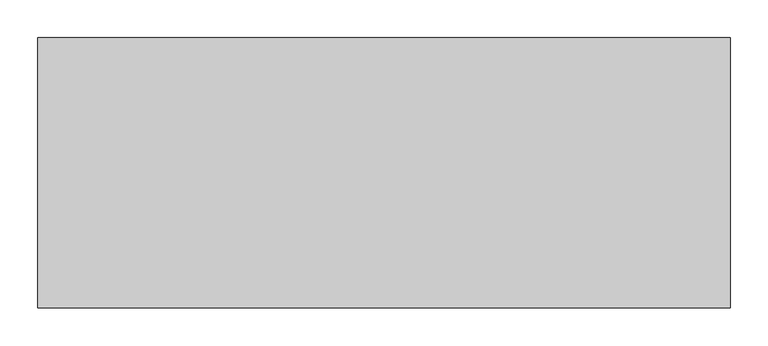
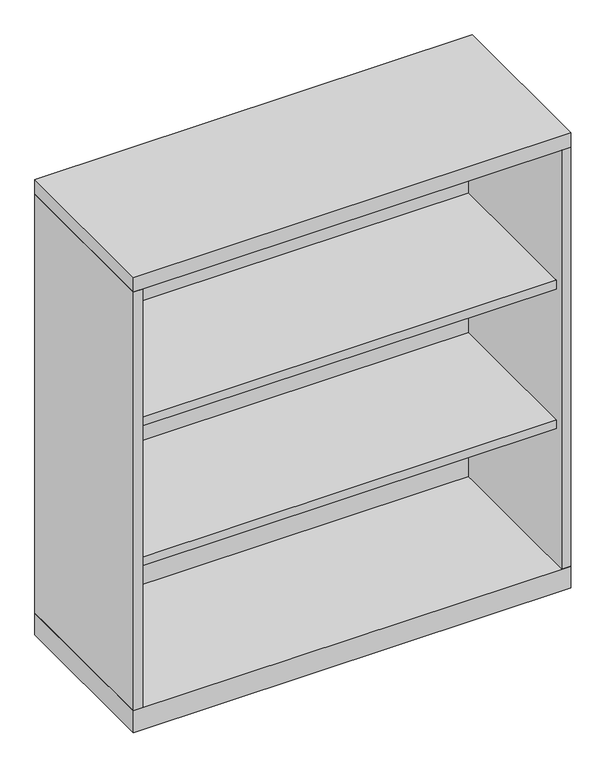
"""IFC4 building model written with IfcOpenShell, lengths in millimetres: furniture geometry."""

import ifcopenshell
import ifcopenshell.guid

model = None  # the IFC model being written
_history = None  # IfcOwnerHistory: only IFC2X3 demands one
_inside = {}  # id of a spatial element -> (the spatial element, [elements in it])
_under = {}  # id of a project, library or spatial element -> (it, [spatial elements below it])
_declared = {}  # id of a project -> (the project, [libraries it declares])
_typed = {}  # id of a type object -> (the type object, [elements of that type])
_made_of = {}  # id of a material, layer set ... -> (it, [elements and type objects made of it])


def new_model(schema):
    """Start an empty IFC model of exactly this schema.

    Asked for "IFC4X3", IfcOpenShell would pick the latest addendum, in which some entities
    have other attributes; the version numbers below select the first issue.
    IFC2X3 requires an IfcOwnerHistory on every rooted entity: one is made here for all.
    """
    global model, _history
    if schema == "IFC4X3":
        model = ifcopenshell.file(schema_version=(4, 3, 0, 0))
    else:
        model = ifcopenshell.file(schema=schema)
    _inside.clear()
    _under.clear()
    _declared.clear()
    _typed.clear()
    _made_of.clear()
    _history = None
    if model.schema == "IFC2X3":
        org = make("IfcOrganization", Name="unknown")
        user = make(
            "IfcPersonAndOrganization",
            ThePerson=make("IfcPerson", FamilyName="unknown"),
            TheOrganization=org,
        )
        app = make(
            "IfcApplication",
            ApplicationDeveloper=org,
            Version="unknown",
            ApplicationFullName="unknown",
            ApplicationIdentifier="unknown",
        )
        _history = make(
            "IfcOwnerHistory",
            OwningUser=user,
            OwningApplication=app,
            ChangeAction="ADDED",
            CreationDate=0,
        )
    return model


def make(cls, **values):
    """One entity of the class cls with the attributes given. An attribute that is None is left unset."""
    return model.create_entity(
        cls, **{name: value for name, value in values.items() if value is not None}
    )


def rooted(cls, **values):
    """An entity with a GlobalId (a new one), such as an element, a storey or a relation."""
    return make(cls, GlobalId=ifcopenshell.guid.new(), OwnerHistory=_history, **values)


def si_unit(unit_type, name, prefix=None):
    """IfcSIUnit, for example si_unit("LENGTHUNIT", "METRE", prefix="MILLI")."""
    return make("IfcSIUnit", UnitType=unit_type, Prefix=prefix, Name=name)


def assignment(units):
    """IfcUnitAssignment: the units of a project."""
    return None if units is None else make("IfcUnitAssignment", Units=units)


def point(xyz):
    """IfcCartesianPoint."""
    return None if xyz is None else make("IfcCartesianPoint", Coordinates=xyz)


def direction(xyz):
    """IfcDirection."""
    return None if xyz is None else make("IfcDirection", DirectionRatios=xyz)


def frame(location, z_axis=None, x_axis=None):
    """IfcAxis2Placement3D, a coordinate frame: its origin and axes. An axis left out is left unset."""
    return make(
        "IfcAxis2Placement3D",
        Location=point(location),
        Axis=direction(z_axis),
        RefDirection=direction(x_axis),
    )


def origin():
    """The frame at (0, 0, 0) with its axes left unset."""
    return frame((0.0, 0.0, 0.0))


def origin_with_axes():
    """The frame at (0, 0, 0) with the z axis (0, 0, 1) and the x axis (1, 0, 0) written out."""
    return frame((0.0, 0.0, 0.0), z_axis=(0.0, 0.0, 1.0), x_axis=(1.0, 0.0, 0.0))


def place(relative_to, where):
    """IfcLocalPlacement: puts the frame where relative to a parent placement (None: the world)."""
    return make(
        "IfcLocalPlacement", PlacementRelTo=relative_to, RelativePlacement=where
    )


def context(
    kind, dimensions, precision=None, world=None, true_north=None, identifier=None
):
    """IfcGeometricRepresentationContext, for example the 3D "Model" context."""
    return make(
        "IfcGeometricRepresentationContext",
        ContextIdentifier=identifier,
        ContextType=kind,
        CoordinateSpaceDimension=dimensions,
        Precision=precision,
        WorldCoordinateSystem=world,
        TrueNorth=true_north,
    )


def project(units=None, contexts=None):
    """IfcProject with its units and contexts."""
    return rooted(
        "IfcProject",
        Name="project",
        RepresentationContexts=contexts,
        UnitsInContext=assignment(units),
    )


def spatial(cls, under=None, at=None, **own):
    """A site, building, storey or space (cls), placed at a placement, below another one or the project."""
    s = rooted(cls, ObjectPlacement=at, **own)
    if under is not None:
        _under.setdefault(under.id(), (under, []))[1].append(s)
    return s


def polyline(points):
    """IfcPolyline through the points."""
    return make("IfcPolyline", Points=[point(p) for p in points])


def outline(outer, holes=None, kind="AREA"):
    """IfcArbitraryClosedProfileDef: a profile drawn as a closed curve; with holes, ...WithVoids."""
    if holes is None:
        return make("IfcArbitraryClosedProfileDef", ProfileType=kind, OuterCurve=outer)
    return make(
        "IfcArbitraryProfileDefWithVoids",
        ProfileType=kind,
        OuterCurve=outer,
        InnerCurves=holes,
    )


def extrude(swept, where, along, depth):
    """IfcExtrudedAreaSolid: the profile swept, set in the frame where, extruded along a direction by depth."""
    return make(
        "IfcExtrudedAreaSolid",
        SweptArea=swept,
        Position=where,
        ExtrudedDirection=direction(along),
        Depth=depth,
    )


def shape(context_of_items, identifier, shape_type, items):
    """IfcShapeRepresentation: the items that make up one representation, for example the "Body"."""
    return make(
        "IfcShapeRepresentation",
        ContextOfItems=context_of_items,
        RepresentationIdentifier=identifier,
        RepresentationType=shape_type,
        Items=items,
    )


def source(mapping_origin, context_of_items, identifier, shape_type, items):
    """IfcRepresentationMap: a shape defined once, which mapped items show again and again."""
    return make(
        "IfcRepresentationMap",
        MappingOrigin=mapping_origin,
        MappedRepresentation=shape(context_of_items, identifier, shape_type, items),
    )


def transform(
    local_origin,
    x_axis=None,
    y_axis=None,
    z_axis=None,
    scale=None,
    scale2=None,
    scale3=None,
    uniform=True,
):
    """IfcCartesianTransformationOperator3D, or its non-uniform kind. x_axis, y_axis, z_axis: its Axis1, 2, 3."""
    if uniform:
        return make(
            "IfcCartesianTransformationOperator3D",
            Axis1=direction(x_axis),
            Axis2=direction(y_axis),
            LocalOrigin=point(local_origin),
            Scale=scale,
            Axis3=direction(z_axis),
        )
    return make(
        "IfcCartesianTransformationOperator3DnonUniform",
        Axis1=direction(x_axis),
        Axis2=direction(y_axis),
        LocalOrigin=point(local_origin),
        Scale=scale,
        Axis3=direction(z_axis),
        Scale2=scale2,
        Scale3=scale3,
    )


def mapped(mapping_source, mapping_target):
    """IfcMappedItem: shows the shape of a source again, moved by a transform."""
    return make(
        "IfcMappedItem", MappingSource=mapping_source, MappingTarget=mapping_target
    )


def made_of(thing, what):
    """Note that an element or type object is made of a material, layer set ...; save() writes the relation."""
    if what is not None:
        _made_of.setdefault(what.id(), (what, []))[1].append(thing)
    return thing


def element(
    cls,
    number,
    at=None,
    inside=None,
    cuts=None,
    type_object=None,
    material=None,
    context=None,
    identifier="Body",
    shape_type=None,
    held_by="IfcProductDefinitionShape",
    body=None,
    shapes=None,
    **own,
):
    """One element of the class cls, such as IfcWall. Its Tag is "e" and its number.

    at: its placement. inside: the storey or other place that contains it. cuts: it is an
    opening in that element (IfcRelVoidsElement). A single representation is given by context,
    identifier, shape_type and body (its items); several are given by shapes. held_by: the class
    of the entity that holds the representations. save() writes the other relations.
    """
    e = rooted(cls, Tag="e%d" % number, ObjectPlacement=at, **own)
    if body is not None:
        shapes = [shape(context, identifier, shape_type, body)]
    if shapes is not None:
        e.Representation = make(held_by, Representations=shapes)
    if inside is not None:
        _inside.setdefault(inside.id(), (inside, []))[1].append(e)
    if cuts is not None:
        rooted(
            "IfcRelVoidsElement", RelatingBuildingElement=cuts, RelatedOpeningElement=e
        )
    if type_object is not None:
        _typed.setdefault(type_object.id(), (type_object, []))[1].append(e)
    return made_of(e, material)


def aggregate(whole, parts):
    """IfcRelAggregates: a whole, such as a stair, and the parts it consists of."""
    return rooted("IfcRelAggregates", RelatingObject=whole, RelatedObjects=parts)


def save(model, path):
    """Write the relations noted so far, then the file.

    IfcRelAggregates (storeys below a building ...), IfcRelContainedInSpatialStructure (elements
    in a storey), IfcRelDefinesByType, IfcRelAssociatesMaterial and IfcRelDeclares: one each for
    every whole, place, type object, material and project.
    """
    for whole, parts in _under.values():
        aggregate(whole, parts)
    for where, things in _inside.values():
        rooted(
            "IfcRelContainedInSpatialStructure",
            RelatedElements=things,
            RelatingStructure=where,
        )
    for kind, things in _typed.values():
        rooted("IfcRelDefinesByType", RelatedObjects=things, RelatingType=kind)
    for what, things in _made_of.values():
        rooted("IfcRelAssociatesMaterial", RelatedObjects=things, RelatingMaterial=what)
    for by, libraries in _declared.values():
        rooted("IfcRelDeclares", RelatingContext=by, RelatedDefinitions=libraries)
    model.write(path)


def furniture_c3d3a2f9(model_context):
    return source(origin(), model_context, "Body", "SweptSolid", [
        extrude(outline(polyline([(436.5625, -19.05), (436.5625, -336.55), (-436.5625, -336.55), (-436.5625, -19.05), (436.5625, -19.05)])), frame((0.0, 0.0, 654.05), z_axis=(0.0, 0.0, 1.0), x_axis=(1.0, 0.0, 0.0)), (0.0, 0.0, 1.0), 19.05),
        extrude(outline(polyline([(436.5625, -19.05), (436.5625, -336.55), (-436.5625, -336.55), (-436.5625, -19.05), (436.5625, -19.05)])), frame((0.0, 0.0, 346.075), z_axis=(0.0, 0.0, 1.0), x_axis=(1.0, 0.0, 0.0)), (0.0, 0.0, 1.0), 19.05),
        extrude(outline(polyline([(455.6125, 0.0), (455.6125, -355.6), (-455.6125, -355.6), (-455.6125, 0.0), (455.6125, 0.0)])), origin_with_axes(), (0.0, 0.0, 1.0), 47.625),
        extrude(outline(polyline([(455.6125, 0.0), (455.6125, -355.6), (-455.6125, -355.6), (-455.6125, 0.0), (455.6125, 0.0)])), frame((0.0, 0.0, 971.55), z_axis=(0.0, 0.0, 1.0), x_axis=(1.0, 0.0, 0.0)), (0.0, 0.0, 1.0), 31.75),
        extrude(outline(polyline([(455.6125, 0.0), (455.6125, -355.6), (436.5625, -355.6), (436.5625, -19.05), (-436.5625, -19.05), (-436.5625, -355.6), (-455.6125, -355.6), (-455.6125, 0.0), (455.6125, 0.0)])), frame((0.0, 0.0, 47.625), z_axis=(0.0, 0.0, 1.0), x_axis=(1.0, 0.0, 0.0)), (0.0, 0.0, 1.0), 923.925),
    ])


if __name__ == "__main__":
    model = new_model("IFC4")
    model_context = context("Model", 3, world=origin())
    ifc_project = project(units=[si_unit("LENGTHUNIT", "METRE", prefix="MILLI")], contexts=[model_context])
    site = spatial("IfcSite", under=ifc_project)
    building = spatial("IfcBuilding", under=site)
    placement = place(None, origin())
    furniture_shape = furniture_c3d3a2f9(model_context)
    element("IfcFurniture", 1, at=placement, inside=building, context=model_context, shape_type="MappedRepresentation", body=[
        mapped(furniture_shape, transform((0.0, 0.0, 0.0), x_axis=(1.0, 0.0, 0.0), y_axis=(0.0, 1.0, 0.0), z_axis=(0.0, 0.0, 1.0))),
    ])
    save(model, "model.ifc")
